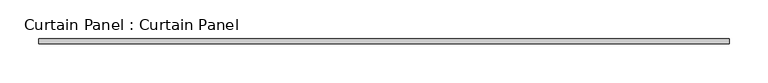
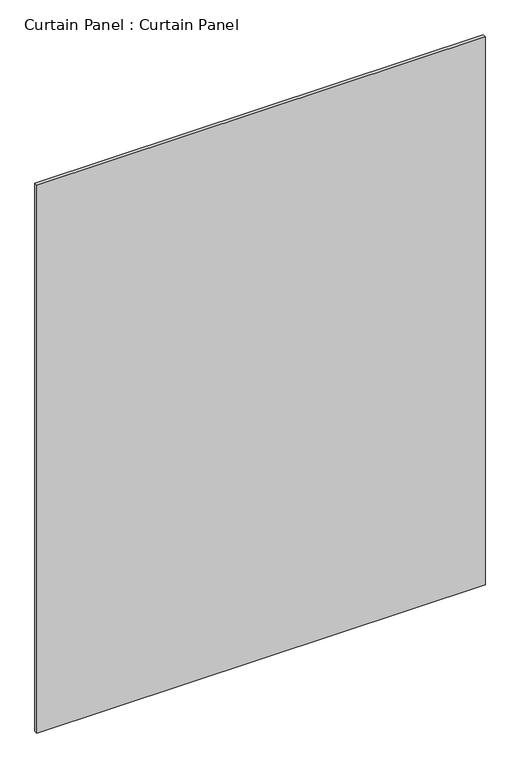
"""IFC4 building model written with IfcOpenShell, lengths in millimetres: plate geometry, Curtain Panel : Curtain Panel."""

from ifc_helpers import new_model, si_unit, frame, origin, place, context, project, spatial, polyline, outline, extrude, source, transform, mapped, element, save


def curtain_panel_curtain_panel_053f2ad9(model_context):
    return source(origin(), model_context, "Body", "SweptSolid", [
        extrude(outline(polyline([(-17792.9788171, 9468.4705739), (-18680.6276264, 9468.4705739), (-18680.6276264, 9474.8205739), (-17792.9788171, 9474.8205739), (-17792.9788171, 9468.4705739)])), frame((0.0, 0.0, 1231.0413835), z_axis=(0.0, 0.0, 1.0), x_axis=(1.0, 0.0, 0.0)), (0.0, 0.0, 1.0), 1147.0227082),
    ])


if __name__ == "__main__":
    model = new_model("IFC4")
    model_context = context("Model", 3, world=origin())
    ifc_project = project(units=[si_unit("LENGTHUNIT", "METRE", prefix="MILLI")], contexts=[model_context])
    site = spatial("IfcSite", under=ifc_project)
    building = spatial("IfcBuilding", under=site)
    placement = place(None, origin())
    curtain_panel_curtain_panel_shape = curtain_panel_curtain_panel_053f2ad9(model_context)
    element("IfcPlate", 1, ObjectType="Curtain Panel : Curtain Panel", at=placement, inside=building, context=model_context, shape_type="MappedRepresentation", body=[
        mapped(curtain_panel_curtain_panel_shape, transform((0.0, 0.0, 0.0), x_axis=(1.0, 0.0, 0.0), y_axis=(0.0, 1.0, 0.0), z_axis=(0.0, 0.0, 1.0))),
    ])
    save(model, "model.ifc")
